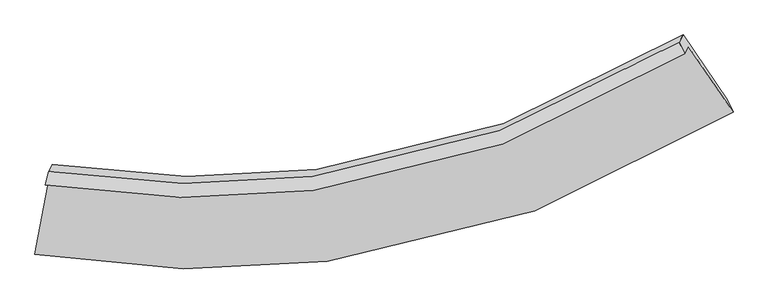
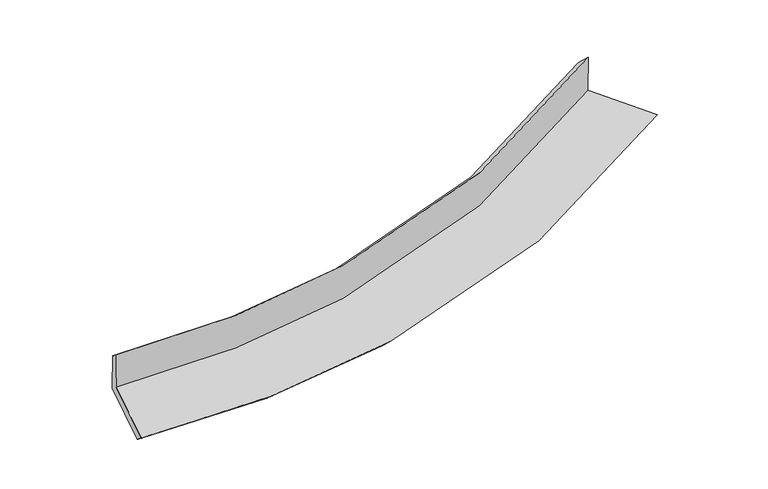
"""IFC4 building model written with IfcOpenShell, lengths in millimetres: proxy geometry."""

import ifcopenshell
import ifcopenshell.guid

model = None  # the IFC model being written
_history = None  # IfcOwnerHistory: only IFC2X3 demands one
_inside = {}  # id of a spatial element -> (the spatial element, [elements in it])
_under = {}  # id of a project, library or spatial element -> (it, [spatial elements below it])
_declared = {}  # id of a project -> (the project, [libraries it declares])
_typed = {}  # id of a type object -> (the type object, [elements of that type])
_made_of = {}  # id of a material, layer set ... -> (it, [elements and type objects made of it])


def new_model(schema):
    """Start an empty IFC model of exactly this schema.

    Asked for "IFC4X3", IfcOpenShell would pick the latest addendum, in which some entities
    have other attributes; the version numbers below select the first issue.
    IFC2X3 requires an IfcOwnerHistory on every rooted entity: one is made here for all.
    """
    global model, _history
    if schema == "IFC4X3":
        model = ifcopenshell.file(schema_version=(4, 3, 0, 0))
    else:
        model = ifcopenshell.file(schema=schema)
    _inside.clear()
    _under.clear()
    _declared.clear()
    _typed.clear()
    _made_of.clear()
    _history = None
    if model.schema == "IFC2X3":
        org = make("IfcOrganization", Name="unknown")
        user = make(
            "IfcPersonAndOrganization",
            ThePerson=make("IfcPerson", FamilyName="unknown"),
            TheOrganization=org,
        )
        app = make(
            "IfcApplication",
            ApplicationDeveloper=org,
            Version="unknown",
            ApplicationFullName="unknown",
            ApplicationIdentifier="unknown",
        )
        _history = make(
            "IfcOwnerHistory",
            OwningUser=user,
            OwningApplication=app,
            ChangeAction="ADDED",
            CreationDate=0,
        )
    return model


def make(cls, **values):
    """One entity of the class cls with the attributes given. An attribute that is None is left unset."""
    return model.create_entity(
        cls, **{name: value for name, value in values.items() if value is not None}
    )


def rooted(cls, **values):
    """An entity with a GlobalId (a new one), such as an element, a storey or a relation."""
    return make(cls, GlobalId=ifcopenshell.guid.new(), OwnerHistory=_history, **values)


def si_unit(unit_type, name, prefix=None):
    """IfcSIUnit, for example si_unit("LENGTHUNIT", "METRE", prefix="MILLI")."""
    return make("IfcSIUnit", UnitType=unit_type, Prefix=prefix, Name=name)


def assignment(units):
    """IfcUnitAssignment: the units of a project."""
    return None if units is None else make("IfcUnitAssignment", Units=units)


def point(xyz):
    """IfcCartesianPoint."""
    return None if xyz is None else make("IfcCartesianPoint", Coordinates=xyz)


def direction(xyz):
    """IfcDirection."""
    return None if xyz is None else make("IfcDirection", DirectionRatios=xyz)


def frame(location, z_axis=None, x_axis=None):
    """IfcAxis2Placement3D, a coordinate frame: its origin and axes. An axis left out is left unset."""
    return make(
        "IfcAxis2Placement3D",
        Location=point(location),
        Axis=direction(z_axis),
        RefDirection=direction(x_axis),
    )


def origin():
    """The frame at (0, 0, 0) with its axes left unset."""
    return frame((0.0, 0.0, 0.0))


def place(relative_to, where):
    """IfcLocalPlacement: puts the frame where relative to a parent placement (None: the world)."""
    return make(
        "IfcLocalPlacement", PlacementRelTo=relative_to, RelativePlacement=where
    )


def context(
    kind, dimensions, precision=None, world=None, true_north=None, identifier=None
):
    """IfcGeometricRepresentationContext, for example the 3D "Model" context."""
    return make(
        "IfcGeometricRepresentationContext",
        ContextIdentifier=identifier,
        ContextType=kind,
        CoordinateSpaceDimension=dimensions,
        Precision=precision,
        WorldCoordinateSystem=world,
        TrueNorth=true_north,
    )


def project(units=None, contexts=None):
    """IfcProject with its units and contexts."""
    return rooted(
        "IfcProject",
        Name="project",
        RepresentationContexts=contexts,
        UnitsInContext=assignment(units),
    )


def spatial(cls, under=None, at=None, **own):
    """A site, building, storey or space (cls), placed at a placement, below another one or the project."""
    s = rooted(cls, ObjectPlacement=at, **own)
    if under is not None:
        _under.setdefault(under.id(), (under, []))[1].append(s)
    return s


def shape(context_of_items, identifier, shape_type, items):
    """IfcShapeRepresentation: the items that make up one representation, for example the "Body"."""
    return make(
        "IfcShapeRepresentation",
        ContextOfItems=context_of_items,
        RepresentationIdentifier=identifier,
        RepresentationType=shape_type,
        Items=items,
    )


def source(mapping_origin, context_of_items, identifier, shape_type, items):
    """IfcRepresentationMap: a shape defined once, which mapped items show again and again."""
    return make(
        "IfcRepresentationMap",
        MappingOrigin=mapping_origin,
        MappedRepresentation=shape(context_of_items, identifier, shape_type, items),
    )


def transform(
    local_origin,
    x_axis=None,
    y_axis=None,
    z_axis=None,
    scale=None,
    scale2=None,
    scale3=None,
    uniform=True,
):
    """IfcCartesianTransformationOperator3D, or its non-uniform kind. x_axis, y_axis, z_axis: its Axis1, 2, 3."""
    if uniform:
        return make(
            "IfcCartesianTransformationOperator3D",
            Axis1=direction(x_axis),
            Axis2=direction(y_axis),
            LocalOrigin=point(local_origin),
            Scale=scale,
            Axis3=direction(z_axis),
        )
    return make(
        "IfcCartesianTransformationOperator3DnonUniform",
        Axis1=direction(x_axis),
        Axis2=direction(y_axis),
        LocalOrigin=point(local_origin),
        Scale=scale,
        Axis3=direction(z_axis),
        Scale2=scale2,
        Scale3=scale3,
    )


def mapped(mapping_source, mapping_target):
    """IfcMappedItem: shows the shape of a source again, moved by a transform."""
    return make(
        "IfcMappedItem", MappingSource=mapping_source, MappingTarget=mapping_target
    )


def made_of(thing, what):
    """Note that an element or type object is made of a material, layer set ...; save() writes the relation."""
    if what is not None:
        _made_of.setdefault(what.id(), (what, []))[1].append(thing)
    return thing


def element(
    cls,
    number,
    at=None,
    inside=None,
    cuts=None,
    type_object=None,
    material=None,
    context=None,
    identifier="Body",
    shape_type=None,
    held_by="IfcProductDefinitionShape",
    body=None,
    shapes=None,
    **own,
):
    """One element of the class cls, such as IfcWall. Its Tag is "e" and its number.

    at: its placement. inside: the storey or other place that contains it. cuts: it is an
    opening in that element (IfcRelVoidsElement). A single representation is given by context,
    identifier, shape_type and body (its items); several are given by shapes. held_by: the class
    of the entity that holds the representations. save() writes the other relations.
    """
    e = rooted(cls, Tag="e%d" % number, ObjectPlacement=at, **own)
    if body is not None:
        shapes = [shape(context, identifier, shape_type, body)]
    if shapes is not None:
        e.Representation = make(held_by, Representations=shapes)
    if inside is not None:
        _inside.setdefault(inside.id(), (inside, []))[1].append(e)
    if cuts is not None:
        rooted(
            "IfcRelVoidsElement", RelatingBuildingElement=cuts, RelatedOpeningElement=e
        )
    if type_object is not None:
        _typed.setdefault(type_object.id(), (type_object, []))[1].append(e)
    return made_of(e, material)


def aggregate(whole, parts):
    """IfcRelAggregates: a whole, such as a stair, and the parts it consists of."""
    return rooted("IfcRelAggregates", RelatingObject=whole, RelatedObjects=parts)


def save(model, path):
    """Write the relations noted so far, then the file.

    IfcRelAggregates (storeys below a building ...), IfcRelContainedInSpatialStructure (elements
    in a storey), IfcRelDefinesByType, IfcRelAssociatesMaterial and IfcRelDeclares: one each for
    every whole, place, type object, material and project.
    """
    for whole, parts in _under.values():
        aggregate(whole, parts)
    for where, things in _inside.values():
        rooted(
            "IfcRelContainedInSpatialStructure",
            RelatedElements=things,
            RelatingStructure=where,
        )
    for kind, things in _typed.values():
        rooted("IfcRelDefinesByType", RelatedObjects=things, RelatingType=kind)
    for what, things in _made_of.values():
        rooted("IfcRelAssociatesMaterial", RelatedObjects=things, RelatingMaterial=what)
    for by, libraries in _declared.values():
        rooted("IfcRelDeclares", RelatingContext=by, RelatedDefinitions=libraries)
    model.write(path)


def plane_surface(at):
    """IfcPlane: the flat surface through the origin of the frame at, square to its z axis."""
    return make("IfcPlane", Position=at)


def spline_curve(degree, points, multiplicities, knots, weights=None):
    """IfcBSplineCurveWithKnots; with weights, IfcRationalBSplineCurveWithKnots."""
    own = dict(
        Degree=degree,
        ControlPointsList=[point(p) for p in points],
        CurveForm="UNSPECIFIED",
        ClosedCurve=False,
        SelfIntersect=False,
        KnotMultiplicities=multiplicities,
        Knots=knots,
        KnotSpec="UNSPECIFIED",
    )
    if weights is None:
        return make("IfcBSplineCurveWithKnots", **own)
    return make("IfcRationalBSplineCurveWithKnots", WeightsData=weights, **own)


def spline_surface(u_degree, v_degree, points, u_multiplicities, v_multiplicities, u_knots, v_knots, weights=None):
    """IfcBSplineSurfaceWithKnots; with weights, IfcRationalBSplineSurfaceWithKnots. points: one row for each step in u."""
    own = dict(
        UDegree=u_degree,
        VDegree=v_degree,
        ControlPointsList=[[point(p) for p in row] for row in points],
        SurfaceForm="UNSPECIFIED",
        UClosed=False,
        VClosed=False,
        SelfIntersect=False,
        UMultiplicities=u_multiplicities,
        VMultiplicities=v_multiplicities,
        UKnots=u_knots,
        VKnots=v_knots,
        KnotSpec="UNSPECIFIED",
    )
    if weights is None:
        return make("IfcBSplineSurfaceWithKnots", **own)
    return make("IfcRationalBSplineSurfaceWithKnots", WeightsData=weights, **own)


def advanced_brep(points, edges, surfaces, faces):
    """IfcAdvancedBrep: a solid bounded by faces that lie on surfaces and meet in shared edges.

    An edge is (start, end): straight between two places in points (the first is 0);
    or (start, end, curve); or (start, end, curve, False) where it runs against its curve.
    A face is (place in surfaces, loops), or (place, loops, False) where it looks against
    its surface's normal. A loop lists edges by number (the first is 1), with a minus sign
    where the edge is run from its end to its start. The first loop is the outer one.
    """
    corners = [point(p) for p in points]
    vertices = [make("IfcVertexPoint", VertexGeometry=c) for c in corners]
    made = []
    for start, end, *more in edges:
        made.append(
            make(
                "IfcEdgeCurve",
                EdgeStart=vertices[start],
                EdgeEnd=vertices[end],
                EdgeGeometry=more[0] if more else make("IfcPolyline", Points=[corners[start], corners[end]]),
                SameSense=more[1] if len(more) > 1 else True,
            )
        )
    hull = []
    for where, loops, *sense in faces:
        bounds = []
        for j, loop in enumerate(loops):
            ring = [make("IfcOrientedEdge", EdgeElement=made[abs(k) - 1], Orientation=k > 0) for k in loop]
            bounds.append(
                make(
                    "IfcFaceOuterBound" if j == 0 else "IfcFaceBound",
                    Bound=make("IfcEdgeLoop", EdgeList=ring),
                    Orientation=True,
                )
            )
        hull.append(make("IfcAdvancedFace", Bounds=bounds, FaceSurface=surfaces[where], SameSense=sense[0] if sense else True))
    return make("IfcAdvancedBrep", Outer=make("IfcClosedShell", CfsFaces=hull))


def generic_models_1062b2ea(model_context):
    return source(origin(), model_context, "Body", "AdvancedBrep", [
        advanced_brep(
        [(-2562.5752253, -1832.3980685, 1654.1872496), (-2682.672285, -2475.0350721, 1546.6206253), (3163.9732183, -1281.2435919, 2194.2174666), (2789.6097315, -731.0295419, 2247.7674624), (-2594.1405885, -1891.9064403, 2044.9514791), (2757.5434658, -791.4822366, 2644.7326272), (-2567.5532716, -1778.7185162, 1957.3754168), (2712.1908992, -695.3744265, 2543.8018789), (-2535.7881276, -1718.8335091, 1564.137996), (2744.9782847, -633.562246, 2137.9095924), (-2656.3401004, -2363.9047438, 1456.1639223), (3114.2256449, -1176.2569601, 2085.0914217)],
        [
            (0, 1),
            (1, 2, spline_curve(3, [(-2682.672285, -2475.0350721, 1546.6206253), (-1844.543994509, -2616.232470936, 1597.548885813), (-1027.940319059, -2636.073235882, 1662.965393752), (946.800702906, -2383.937869277, 1861.425153055), (2079.07886185, -1966.166610766, 2011.874258606), (3163.9732183, -1281.2435919, 2194.2174666)], [4, 2, 4], [0.0, 7.730793081292613, 19.20100148956153])),
            (2, 3),
            (3, 0, spline_curve(3, [(2789.6097315, -731.0295419, 2247.7674624), (1797.138978485, -1356.710621223, 2081.91188449), (760.890145655, -1739.635683012, 1944.526515453), (-1047.062910391, -1974.277106125, 1762.203746947), (-1794.875730207, -1958.474886456, 1701.729044965), (-2562.5752253, -1832.3980685, 1654.1872496)], [4, 2, 4], [0.0, 11.470208408268917, 19.20100148956153])),
            (4, 0),
            (3, 5),
            (5, 4, spline_curve(3, [(2757.5434658, -791.4822366, 2644.7326272), (1765.059905959, -1417.187460485, 2479.035594052), (728.865500263, -1800.009913612, 2340.976442027), (-1078.883896131, -2034.267388289, 2156.132461649), (-1826.584175515, -2018.253002873, 2094.264564027), (-2594.1405885, -1891.9064403, 2044.9514791)], [4, 2, 4], [0.0, 10.96416546698974, 18.353891225873653])),
            (6, 4),
            (5, 7),
            (7, 6, spline_curve(3, [(2712.1908992, -695.3744265, 2543.8018789), (1733.012068918, -1308.853780129, 2372.447420611), (710.731902994, -1684.722076383, 2233.69902467), (-1072.704899259, -1916.163159374, 2056.017935898), (-1810.339456861, -1901.409559495, 1999.290844653), (-2567.5532716, -1778.7185162, 1957.3754168)], [4, 2, 4], [0.0, 10.888461023720133, 18.227162828599])),
            (8, 6),
            (7, 9),
            (9, 8, spline_curve(3, [(2744.9782847, -633.562246, 2137.9095924), (1765.980300949, -1246.700660062, 1964.316340105), (743.651350163, -1622.660927906, 1826.171878537), (-1040.251518334, -1854.980658168, 1654.260466408), (-1778.178038091, -1840.777478143, 1601.147729162), (-2535.7881276, -1718.8335091, 1564.137996)], [4, 2, 4], [0.0, 10.860811198201123, 18.18087732775371])),
            (10, 8),
            (9, 11),
            (11, 10, spline_curve(3, [(3114.2256449, -1176.2569601, 2085.0914217), (2045.452457681, -1850.327206004, 1894.967124446), (928.714953989, -2262.998064035, 1743.605926714), (-1020.982957723, -2516.224826104, 1555.117961131), (-1827.767369181, -2499.436562372, 1496.836658994), (-2656.3401004, -2363.9047438, 1456.1639223)], [4, 2, 4], [0.0, 11.316599932522575, 18.943862607107697])),
            (1, 10),
            (11, 2),
        ],
        [
            spline_surface(3, 3, [[(-2562.5752253, -1832.3980685, 1654.1872496), (-1794.875730116, -1958.474886544, 1701.72904507), (-1047.062910506, -1974.27710608, 1762.203746987), (760.890145826, -1739.63568308, 1944.526515394), (1797.138978487, -1356.710621294, 2081.911884432), (2789.6097315, -731.0295419, 2247.7674624)], [(-2602.607578516, -2046.610403056, 1618.331708156), (-1811.431818261, -2177.727414673, 1667.002325271), (-1040.68871336, -2194.875816025, 1729.124295916), (822.860331507, -1954.403078477, 1916.82606129), (1891.118939598, -1559.862617795, 2058.566009215), (2914.397560454, -914.434225217, 2229.917463805)], [(-2642.639931784, -2260.822737544, 1582.476166744), (-1827.987906459, -2396.979942733, 1632.275605503), (-1034.314516193, -2415.474525953, 1696.044844822), (884.830517207, -2169.170473856, 1889.125607161), (1985.098900648, -1763.014614343, 2035.220133983), (3039.185389346, -1097.838908583, 2212.067465195)], [(-2682.672285, -2475.0350721, 1546.6206253), (-1844.543994604, -2616.232470861, 1597.548885704), (-1027.940319046, -2636.073235898, 1662.965393751), (946.800702887, -2383.937869253, 1861.425153057), (2079.07886176, -1966.166610844, 2011.874258767), (3163.9732183, -1281.2435919, 2194.2174666)]], [4, 4], [4, 2, 4], [0.0, 2.1894784103453198], [0.0, 7.730793081292613, 19.20100148956153]),
            spline_surface(3, 3, [[(-2594.1405885, -1891.9064403, 2044.9514791), (-1826.584175497, -2018.253002988, 2094.264564131), (-1078.883896179, -2034.26738834, 2156.132461638), (728.865500334, -1800.009913536, 2340.976442043), (1765.059905778, -1417.187460314, 2479.035593925), (2757.5434658, -791.4822366, 2644.7326272)], [(-2583.618800767, -1872.070316355, 1914.696735935), (-1816.014693704, -1998.326964161, 1963.419391113), (-1068.276900951, -2014.270627583, 2024.822890085), (739.540382169, -1779.885170048, 2208.82646649), (1775.75293001, -1397.028514002, 2346.661024097), (2768.232221029, -771.331338395, 2512.410905602)], [(-2573.097013033, -1852.234192445, 1784.441992765), (-1805.445211909, -1978.40092537, 1832.574218088), (-1057.669905735, -1994.273866836, 1893.51331854), (750.215263992, -1759.760426569, 2076.676490947), (1786.445954255, -1376.869567605, 2214.286454261), (2778.920976271, -751.180440105, 2380.089183998)], [(-2562.5752253, -1832.3980685, 1654.1872496), (-1794.875730116, -1958.474886544, 1701.72904507), (-1047.062910506, -1974.27710608, 1762.203746987), (760.890145826, -1739.63568308, 1944.526515394), (1797.138978487, -1356.710621294, 2081.911884432), (2789.6097315, -731.0295419, 2247.7674624)]], [4, 4], [4, 2, 4], [0.0, 1.3170901942226425], [0.0, 7.3897257588839125, 18.353891225873653]),
            spline_surface(3, 3, [[(-2567.5532716, -1778.7185162, 1957.3754168), (-1810.339456852, -1901.409559467, 1999.290844714), (-1072.70489926, -1916.163159296, 2056.01793593), (710.731902996, -1684.722076499, 2233.699024622), (1733.012068995, -1308.853780078, 2372.447420739), (2712.1908992, -695.3744265, 2543.8018789)], [(-2576.415710579, -1816.447824234, 1986.567437568), (-1815.75436308, -1940.357373974, 2030.948751188), (-1074.764564875, -1955.53123565, 2089.389444506), (716.776435466, -1723.151355517, 2269.458163769), (1743.694681242, -1344.965006796, 2407.976811775), (2727.308421386, -727.410363173, 2577.445461641)], [(-2585.278149521, -1854.177132266, 2015.759458332), (-1821.169269269, -1979.305188481, 2062.606657657), (-1076.824230564, -1994.899311987, 2122.760953063), (722.820967863, -1761.580634519, 2305.217302897), (1754.377293532, -1381.076233596, 2443.506202889), (2742.425943614, -759.446299927, 2611.089044459)], [(-2594.1405885, -1891.9064403, 2044.9514791), (-1826.584175497, -2018.253002988, 2094.264564131), (-1078.883896179, -2034.26738834, 2156.132461638), (728.865500334, -1800.009913536, 2340.976442043), (1765.059905778, -1417.187460314, 2479.035593925), (2757.5434658, -791.4822366, 2644.7326272)]], [4, 4], [4, 2, 4], [0.0, 0.51319249823655], [0.0, 7.338701804878867, 18.227162828599]),
            spline_surface(3, 3, [[(-2535.7881276, -1718.8335091, 1564.137996), (-1778.178037996, -1840.777478072, 1601.147729098), (-1040.25151825, -1854.980658223, 1654.260466374), (743.651350037, -1622.660927823, 1826.171878589), (1765.980301016, -1246.700659988, 1964.316340063), (2744.9782847, -633.562246, 2137.9095924)], [(-2546.376508926, -1738.795178133, 1695.217136273), (-1788.898510941, -1860.98817187, 1733.862100976), (-1051.069311935, -1875.374825241, 1788.179622879), (732.678201008, -1643.347977376, 1962.014260586), (1754.990890333, -1267.418366705, 2100.360033621), (2734.049156191, -654.166306187, 2273.207021232)], [(-2556.964890274, -1758.756847167, 1826.296276527), (-1799.618983907, -1881.198865669, 1866.576472835), (-1061.887105575, -1895.768992278, 1922.098779425), (721.705052025, -1664.035026946, 2097.856642624), (1744.001479678, -1288.136073362, 2236.403727182), (2723.120027709, -674.770366313, 2408.504450068)], [(-2567.5532716, -1778.7185162, 1957.3754168), (-1810.339456852, -1901.409559467, 1999.290844714), (-1072.70489926, -1916.163159296, 2056.01793593), (710.731902996, -1684.722076499, 2233.699024622), (1733.012068995, -1308.853780078, 2372.447420739), (2712.1908992, -695.3744265, 2543.8018789)]], [4, 4], [4, 2, 4], [0.0, 1.3501340568630367], [0.0, 7.320066129552585, 18.18087732775371]),
            spline_surface(3, 3, [[(-2656.3401004, -2363.9047438, 1456.1639223), (-1827.767369241, -2499.43656233, 1496.836658923), (-1020.982957722, -2516.224826056, 1555.117961064), (928.714953987, -2262.998064107, 1743.605926813), (2045.452457587, -1850.327205866, 1894.967124495), (3114.2256449, -1176.2569601, 2085.0914217)], [(-2616.156109483, -2148.880998886, 1492.155280189), (-1811.237592176, -2279.88353423, 1531.607015636), (-1027.405811211, -2295.810103452, 1588.165462838), (867.027086024, -2049.552352019, 1771.127910742), (1952.295072077, -1649.118357244, 1918.083529708), (2991.143191514, -995.358722071, 2102.697478624)], [(-2575.972118517, -1933.857254014, 1528.146638111), (-1794.707815062, -2060.330506173, 1566.377372384), (-1033.82866476, -2075.395380827, 1621.2129646), (805.339218001, -1836.106639911, 1798.649894659), (1859.137686526, -1447.90950861, 1941.19993485), (2868.060738086, -814.460484029, 2120.303535476)], [(-2535.7881276, -1718.8335091, 1564.137996), (-1778.178037996, -1840.777478072, 1601.147729098), (-1040.25151825, -1854.980658223, 1654.260466374), (743.651350037, -1622.660927823, 1826.171878588), (1765.980301016, -1246.700659988, 1964.316340063), (2744.9782847, -633.562246, 2137.9095924)]], [4, 4], [4, 2, 4], [0.0, 2.179630830627408], [0.0, 7.627262674585123, 18.943862607107697]),
            spline_surface(3, 3, [[(-2682.672285, -2475.0350721, 1546.6206253), (-1844.543994604, -2616.232470861, 1597.548885704), (-1027.940319046, -2636.073235898, 1662.965393751), (946.800702887, -2383.937869253, 1861.425153057), (2079.07886176, -1966.166610844, 2011.874258767), (3163.9732183, -1281.2435919, 2194.2174666)], [(-2673.894890129, -2437.991629336, 1516.468390978), (-1838.951786145, -2577.300501354, 1563.978143455), (-1025.621198631, -2596.123765942, 1627.01624952), (940.772119894, -2343.624600863, 1822.15207764), (2067.870060363, -1927.553475842, 1972.905214005), (3147.390693827, -1246.248047957, 2157.842118296)], [(-2665.117495271, -2400.948186564, 1486.316156622), (-1833.3595777, -2538.368531837, 1530.407401172), (-1023.302078137, -2556.174296012, 1591.067105295), (934.74353698, -2303.311332497, 1782.87900223), (2056.661258984, -1888.940340868, 1933.936169256), (3130.808169373, -1211.252504043, 2121.466770004)], [(-2656.3401004, -2363.9047438, 1456.1639223), (-1827.767369241, -2499.43656233, 1496.836658923), (-1020.982957722, -2516.224826056, 1555.117961064), (928.714953987, -2262.998064107, 1743.605926813), (2045.452457587, -1850.327205866, 1894.967124495), (3114.2256449, -1176.2569601, 2085.0914217)]], [4, 4], [4, 2, 4], [0.0, 0.5449903938686922], [0.0, 8.01928933027339, 19.917540769317625]),
            plane_surface(frame((2880.4202074, -884.8248338, 2308.9200749), z_axis=(0.8241689522175493, 0.5461865695088512, 0.14975236054493485), x_axis=(-0.0796044127583984, -0.150073641298716, 0.9854648850449899))),
            plane_surface(frame((-2599.8449331, -2010.132725, 1703.9061148), z_axis=(-0.9802073506331513, 0.19155335961378678, -0.050008601114308895), x_axis=(0.18126413664630248, 0.9699408294365256, 0.1623517790412396))),
        ],
        [
            (0, [[1, 2, 3, 4]]),
            (1, [[5, -4, 6, 7]]),
            (2, [[8, -7, 9, 10]]),
            (3, [[11, -10, 12, 13]]),
            (4, [[14, -13, 15, 16]]),
            (5, [[17, -16, 18, -2]]),
            (6, [[-12, -9, -6, -3, -18, -15]]),
            (7, [[-1, -5, -8, -11, -14, -17]]),
        ],
    ),
    ])


if __name__ == "__main__":
    model = new_model("IFC4")
    model_context = context("Model", 3, world=origin())
    ifc_project = project(units=[si_unit("LENGTHUNIT", "METRE", prefix="MILLI")], contexts=[model_context])
    site = spatial("IfcSite", under=ifc_project)
    building = spatial("IfcBuilding", under=site)
    placement = place(None, origin())
    generic_models_shape = generic_models_1062b2ea(model_context)
    element("IfcBuildingElementProxy", 1, Name="Generic Models", at=placement, inside=building, context=model_context, shape_type="MappedRepresentation", body=[
        mapped(generic_models_shape, transform((0.0, 0.0, 0.0), x_axis=(1.0, 0.0, 0.0), y_axis=(0.0, 1.0, 0.0), z_axis=(0.0, 0.0, 1.0))),
    ])
    save(model, "model.ifc")
